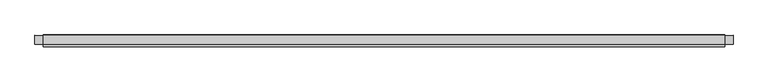
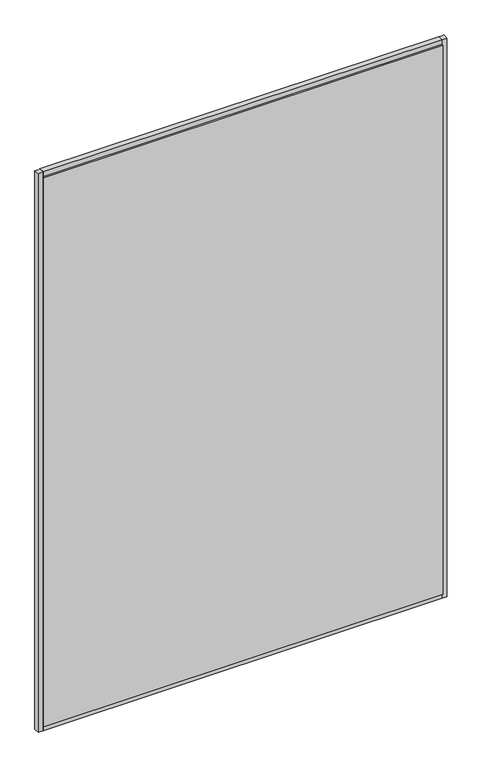
"""IFC4 building model written with IfcOpenShell, lengths in millimetres: plate geometry."""

from ifc_helpers import new_model, si_unit, point, frame, frame_2d, origin, place, context, project, spatial, polyline, circle_curve, trimmed, segment, composite_curve, outline, extrude, source, transform, mapped, element, save


def plate_e0c4156c(model_context):
    return source(origin(), model_context, "Body", "SweptSolid", [
        extrude(outline(polyline([(802.186138, 14.0), (802.186138, 8.0), (-802.186138, 8.0), (-802.186138, 14.0), (802.186138, 14.0)])), frame((0.0, 0.0, 10.0), z_axis=(0.0, 0.0, 1.0), x_axis=(1.0, 0.0, 0.0)), (0.0, 0.0, 1.0), 2332.9080722),
        extrude(outline(polyline([(802.186138, -8.0), (802.186138, -14.0), (-802.186138, -14.0), (-802.186138, -8.0), (802.186138, -8.0)])), frame((0.0, 0.0, 10.0), z_axis=(0.0, 0.0, 1.0), x_axis=(1.0, 0.0, 0.0)), (0.0, 0.0, 1.0), 2332.9080722),
        extrude(outline(composite_curve([segment(polyline([(13.499631, -10.0), (-8.0, -10.0), (-8.0, 10.0), (13.499631, 10.0)]), True, "CONTINUOUS"), segment(trimmed(circle_curve(frame_2d((45.6328576, 0.0)), 33.6532948), [point((13.499631, 10.0))], [point((13.499631, -10.0))], True, "CARTESIAN"), True, "CONTINUOUS")], self_intersect=False)), frame((-802.186138, 0.0, 0.0), z_axis=(1.0, 0.0, 0.0), x_axis=(0.0, 1.0, 0.0)), (0.0, 0.0, 1.0), 1604.3722759),
        extrude(outline(composite_curve([segment(trimmed(circle_curve(frame_2d((45.6328576, 2352.9080722)), 33.6532948), [point((13.499631, 2362.9080722))], [point((13.499631, 2342.9080722))], True, "CARTESIAN"), True, "CONTINUOUS"), segment(polyline([(13.499631, 2342.9080722), (-8.0, 2342.9080722), (-8.0, 2362.9080722), (13.499631, 2362.9080722)]), True, "CONTINUOUS")], self_intersect=False)), frame((-802.186138, 0.0, 0.0), z_axis=(1.0, 0.0, 0.0), x_axis=(0.0, 1.0, 0.0)), (0.0, 0.0, 1.0), 1604.3722759),
        extrude(outline(composite_curve([segment(polyline([(822.186138, -8.0), (802.186138, -8.0), (802.186138, 13.5022002)]), True, "CONTINUOUS"), segment(trimmed(circle_curve(frame_2d((812.1126262, 45.5022747)), 33.5043271), [point((802.186138, 13.5022002))], [point((822.186138, 13.548178))], True, "CARTESIAN"), True, "CONTINUOUS"), segment(polyline([(822.186138, 13.548178), (822.186138, -8.0)]), True, "CONTINUOUS")], self_intersect=False)), frame((0.0, 0.0, -10.0), z_axis=(0.0, 0.0, 1.0), x_axis=(1.0, 0.0, 0.0)), (0.0, 0.0, 1.0), 2372.9080722),
        extrude(outline(composite_curve([segment(polyline([(-802.186138, -8.0), (-822.186138, -8.0), (-822.186138, 13.499631)]), True, "CONTINUOUS"), segment(trimmed(circle_curve(frame_2d((-812.186138, 45.6328576)), 33.6532948), [point((-822.186138, 13.499631))], [point((-802.186138, 13.499631))], True, "CARTESIAN"), True, "CONTINUOUS"), segment(polyline([(-802.186138, 13.499631), (-802.186138, -8.0)]), True, "CONTINUOUS")], self_intersect=False)), frame((0.0, 0.0, -10.0), z_axis=(0.0, 0.0, 1.0), x_axis=(1.0, 0.0, 0.0)), (0.0, 0.0, 1.0), 2372.9080722),
    ])


if __name__ == "__main__":
    model = new_model("IFC4")
    model_context = context("Model", 3, world=origin())
    ifc_project = project(units=[si_unit("LENGTHUNIT", "METRE", prefix="MILLI")], contexts=[model_context])
    site = spatial("IfcSite", under=ifc_project)
    building = spatial("IfcBuilding", under=site)
    placement = place(None, origin())
    plate_shape = plate_e0c4156c(model_context)
    element("IfcPlate", 1, at=placement, inside=building, context=model_context, shape_type="MappedRepresentation", body=[
        mapped(plate_shape, transform((0.0, 0.0, 0.0), x_axis=(1.0, 0.0, 0.0), y_axis=(0.0, 1.0, 0.0), z_axis=(0.0, 0.0, 1.0))),
    ])
    save(model, "model.ifc")
